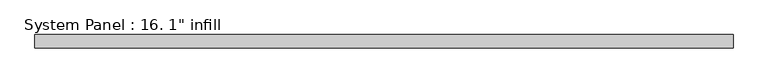
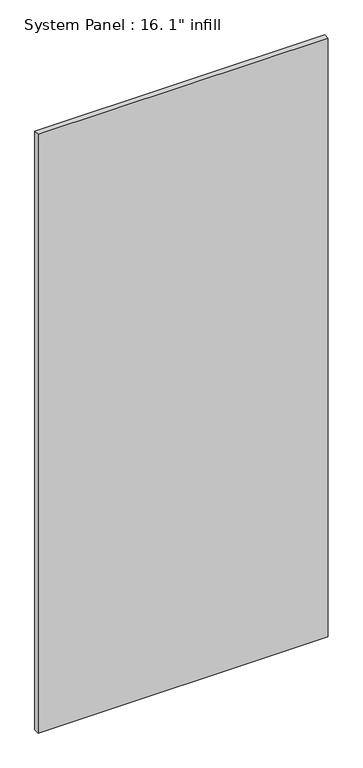
"""IFC4 building model written with IfcOpenShell, lengths in millimetres: plate geometry."""

from ifc_helpers import new_model, si_unit, origin, origin_with_axes, place, context, project, spatial, polyline, outline, extrude, source, transform, mapped, element, save


def plate_cf7bb5c7(model_context):
    return source(origin(), model_context, "Body", "SweptSolid", [
        extrude(outline(polyline([(669.925, -12.7), (-669.925, -12.7), (-669.925, 12.7), (669.925, 12.7), (669.925, -12.7)])), origin_with_axes(), (0.0, 0.0, 1.0), 2921.0),
    ])


if __name__ == "__main__":
    model = new_model("IFC4")
    model_context = context("Model", 3, world=origin())
    ifc_project = project(units=[si_unit("LENGTHUNIT", "METRE", prefix="MILLI")], contexts=[model_context])
    site = spatial("IfcSite", under=ifc_project)
    building = spatial("IfcBuilding", under=site)
    placement = place(None, origin())
    plate_shape = plate_cf7bb5c7(model_context)
    element("IfcPlate", 1, ObjectType="System Panel : 16. 1\" infill", at=placement, inside=building, context=model_context, shape_type="MappedRepresentation", body=[
        mapped(plate_shape, transform((0.0, 0.0, 0.0), x_axis=(1.0, 0.0, 0.0), y_axis=(0.0, 1.0, 0.0), z_axis=(0.0, 0.0, 1.0))),
    ])
    save(model, "model.ifc")
